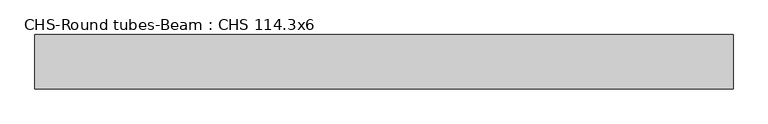
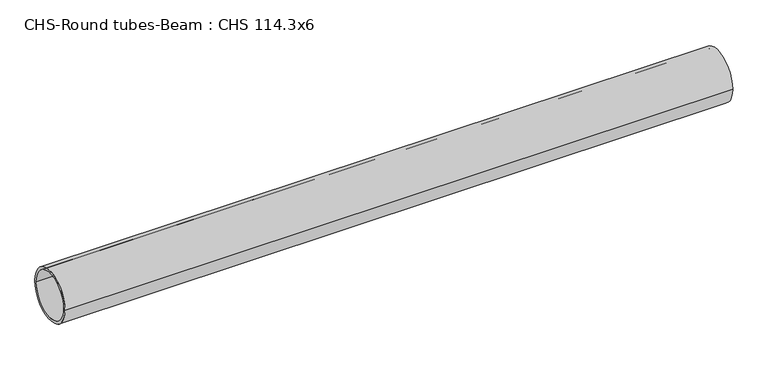
"""IFC4 building model written with IfcOpenShell, lengths in millimetres: beam geometry, CHS-Round tubes-Beam : CHS 114.3x6."""

import ifcopenshell
import ifcopenshell.guid

model = None  # the IFC model being written
_history = None  # IfcOwnerHistory: only IFC2X3 demands one
_inside = {}  # id of a spatial element -> (the spatial element, [elements in it])
_under = {}  # id of a project, library or spatial element -> (it, [spatial elements below it])
_declared = {}  # id of a project -> (the project, [libraries it declares])
_typed = {}  # id of a type object -> (the type object, [elements of that type])
_made_of = {}  # id of a material, layer set ... -> (it, [elements and type objects made of it])


def new_model(schema):
    """Start an empty IFC model of exactly this schema.

    Asked for "IFC4X3", IfcOpenShell would pick the latest addendum, in which some entities
    have other attributes; the version numbers below select the first issue.
    IFC2X3 requires an IfcOwnerHistory on every rooted entity: one is made here for all.
    """
    global model, _history
    if schema == "IFC4X3":
        model = ifcopenshell.file(schema_version=(4, 3, 0, 0))
    else:
        model = ifcopenshell.file(schema=schema)
    _inside.clear()
    _under.clear()
    _declared.clear()
    _typed.clear()
    _made_of.clear()
    _history = None
    if model.schema == "IFC2X3":
        org = make("IfcOrganization", Name="unknown")
        user = make(
            "IfcPersonAndOrganization",
            ThePerson=make("IfcPerson", FamilyName="unknown"),
            TheOrganization=org,
        )
        app = make(
            "IfcApplication",
            ApplicationDeveloper=org,
            Version="unknown",
            ApplicationFullName="unknown",
            ApplicationIdentifier="unknown",
        )
        _history = make(
            "IfcOwnerHistory",
            OwningUser=user,
            OwningApplication=app,
            ChangeAction="ADDED",
            CreationDate=0,
        )
    return model


def make(cls, **values):
    """One entity of the class cls with the attributes given. An attribute that is None is left unset."""
    return model.create_entity(
        cls, **{name: value for name, value in values.items() if value is not None}
    )


def rooted(cls, **values):
    """An entity with a GlobalId (a new one), such as an element, a storey or a relation."""
    return make(cls, GlobalId=ifcopenshell.guid.new(), OwnerHistory=_history, **values)


def si_unit(unit_type, name, prefix=None):
    """IfcSIUnit, for example si_unit("LENGTHUNIT", "METRE", prefix="MILLI")."""
    return make("IfcSIUnit", UnitType=unit_type, Prefix=prefix, Name=name)


def assignment(units):
    """IfcUnitAssignment: the units of a project."""
    return None if units is None else make("IfcUnitAssignment", Units=units)


def point(xyz):
    """IfcCartesianPoint."""
    return None if xyz is None else make("IfcCartesianPoint", Coordinates=xyz)


def direction(xyz):
    """IfcDirection."""
    return None if xyz is None else make("IfcDirection", DirectionRatios=xyz)


def frame(location, z_axis=None, x_axis=None):
    """IfcAxis2Placement3D, a coordinate frame: its origin and axes. An axis left out is left unset."""
    return make(
        "IfcAxis2Placement3D",
        Location=point(location),
        Axis=direction(z_axis),
        RefDirection=direction(x_axis),
    )


def frame_2d(location, x_axis=None):
    """IfcAxis2Placement2D, a coordinate frame in the plane: its origin and x axis."""
    return make(
        "IfcAxis2Placement2D", Location=point(location), RefDirection=direction(x_axis)
    )


def origin():
    """The frame at (0, 0, 0) with its axes left unset."""
    return frame((0.0, 0.0, 0.0))


def origin_2d():
    """The frame at (0, 0) in the plane with its x axis left unset."""
    return frame_2d((0.0, 0.0))


def place(relative_to, where):
    """IfcLocalPlacement: puts the frame where relative to a parent placement (None: the world)."""
    return make(
        "IfcLocalPlacement", PlacementRelTo=relative_to, RelativePlacement=where
    )


def context(
    kind, dimensions, precision=None, world=None, true_north=None, identifier=None
):
    """IfcGeometricRepresentationContext, for example the 3D "Model" context."""
    return make(
        "IfcGeometricRepresentationContext",
        ContextIdentifier=identifier,
        ContextType=kind,
        CoordinateSpaceDimension=dimensions,
        Precision=precision,
        WorldCoordinateSystem=world,
        TrueNorth=true_north,
    )


def project(units=None, contexts=None):
    """IfcProject with its units and contexts."""
    return rooted(
        "IfcProject",
        Name="project",
        RepresentationContexts=contexts,
        UnitsInContext=assignment(units),
    )


def spatial(cls, under=None, at=None, **own):
    """A site, building, storey or space (cls), placed at a placement, below another one or the project."""
    s = rooted(cls, ObjectPlacement=at, **own)
    if under is not None:
        _under.setdefault(under.id(), (under, []))[1].append(s)
    return s


def circle_curve(where, radius):
    """IfcCircle in the frame where."""
    return make("IfcCircle", Position=where, Radius=radius)


def trimmed(basis, trim1, trim2, sense, master):
    """IfcTrimmedCurve: the piece of a basis curve between two trims."""
    return make(
        "IfcTrimmedCurve",
        BasisCurve=basis,
        Trim1=trim1,
        Trim2=trim2,
        SenseAgreement=sense,
        MasterRepresentation=master,
    )


def segment(curve, same_sense, transition):
    """IfcCompositeCurveSegment."""
    return make(
        "IfcCompositeCurveSegment",
        Transition=transition,
        SameSense=same_sense,
        ParentCurve=curve,
    )


def composite_curve(segments, self_intersect=None):
    """IfcCompositeCurve: segments joined end to end."""
    return make("IfcCompositeCurve", Segments=segments, SelfIntersect=self_intersect)


def outline(outer, holes=None, kind="AREA"):
    """IfcArbitraryClosedProfileDef: a profile drawn as a closed curve; with holes, ...WithVoids."""
    if holes is None:
        return make("IfcArbitraryClosedProfileDef", ProfileType=kind, OuterCurve=outer)
    return make(
        "IfcArbitraryProfileDefWithVoids",
        ProfileType=kind,
        OuterCurve=outer,
        InnerCurves=holes,
    )


def extrude(swept, where, along, depth):
    """IfcExtrudedAreaSolid: the profile swept, set in the frame where, extruded along a direction by depth."""
    return make(
        "IfcExtrudedAreaSolid",
        SweptArea=swept,
        Position=where,
        ExtrudedDirection=direction(along),
        Depth=depth,
    )


def shape(context_of_items, identifier, shape_type, items):
    """IfcShapeRepresentation: the items that make up one representation, for example the "Body"."""
    return make(
        "IfcShapeRepresentation",
        ContextOfItems=context_of_items,
        RepresentationIdentifier=identifier,
        RepresentationType=shape_type,
        Items=items,
    )


def source(mapping_origin, context_of_items, identifier, shape_type, items):
    """IfcRepresentationMap: a shape defined once, which mapped items show again and again."""
    return make(
        "IfcRepresentationMap",
        MappingOrigin=mapping_origin,
        MappedRepresentation=shape(context_of_items, identifier, shape_type, items),
    )


def transform(
    local_origin,
    x_axis=None,
    y_axis=None,
    z_axis=None,
    scale=None,
    scale2=None,
    scale3=None,
    uniform=True,
):
    """IfcCartesianTransformationOperator3D, or its non-uniform kind. x_axis, y_axis, z_axis: its Axis1, 2, 3."""
    if uniform:
        return make(
            "IfcCartesianTransformationOperator3D",
            Axis1=direction(x_axis),
            Axis2=direction(y_axis),
            LocalOrigin=point(local_origin),
            Scale=scale,
            Axis3=direction(z_axis),
        )
    return make(
        "IfcCartesianTransformationOperator3DnonUniform",
        Axis1=direction(x_axis),
        Axis2=direction(y_axis),
        LocalOrigin=point(local_origin),
        Scale=scale,
        Axis3=direction(z_axis),
        Scale2=scale2,
        Scale3=scale3,
    )


def mapped(mapping_source, mapping_target):
    """IfcMappedItem: shows the shape of a source again, moved by a transform."""
    return make(
        "IfcMappedItem", MappingSource=mapping_source, MappingTarget=mapping_target
    )


def made_of(thing, what):
    """Note that an element or type object is made of a material, layer set ...; save() writes the relation."""
    if what is not None:
        _made_of.setdefault(what.id(), (what, []))[1].append(thing)
    return thing


def element(
    cls,
    number,
    at=None,
    inside=None,
    cuts=None,
    type_object=None,
    material=None,
    context=None,
    identifier="Body",
    shape_type=None,
    held_by="IfcProductDefinitionShape",
    body=None,
    shapes=None,
    **own,
):
    """One element of the class cls, such as IfcWall. Its Tag is "e" and its number.

    at: its placement. inside: the storey or other place that contains it. cuts: it is an
    opening in that element (IfcRelVoidsElement). A single representation is given by context,
    identifier, shape_type and body (its items); several are given by shapes. held_by: the class
    of the entity that holds the representations. save() writes the other relations.
    """
    e = rooted(cls, Tag="e%d" % number, ObjectPlacement=at, **own)
    if body is not None:
        shapes = [shape(context, identifier, shape_type, body)]
    if shapes is not None:
        e.Representation = make(held_by, Representations=shapes)
    if inside is not None:
        _inside.setdefault(inside.id(), (inside, []))[1].append(e)
    if cuts is not None:
        rooted(
            "IfcRelVoidsElement", RelatingBuildingElement=cuts, RelatedOpeningElement=e
        )
    if type_object is not None:
        _typed.setdefault(type_object.id(), (type_object, []))[1].append(e)
    return made_of(e, material)


def aggregate(whole, parts):
    """IfcRelAggregates: a whole, such as a stair, and the parts it consists of."""
    return rooted("IfcRelAggregates", RelatingObject=whole, RelatedObjects=parts)


def save(model, path):
    """Write the relations noted so far, then the file.

    IfcRelAggregates (storeys below a building ...), IfcRelContainedInSpatialStructure (elements
    in a storey), IfcRelDefinesByType, IfcRelAssociatesMaterial and IfcRelDeclares: one each for
    every whole, place, type object, material and project.
    """
    for whole, parts in _under.values():
        aggregate(whole, parts)
    for where, things in _inside.values():
        rooted(
            "IfcRelContainedInSpatialStructure",
            RelatedElements=things,
            RelatingStructure=where,
        )
    for kind, things in _typed.values():
        rooted("IfcRelDefinesByType", RelatedObjects=things, RelatingType=kind)
    for what, things in _made_of.values():
        rooted("IfcRelAssociatesMaterial", RelatedObjects=things, RelatingMaterial=what)
    for by, libraries in _declared.values():
        rooted("IfcRelDeclares", RelatingContext=by, RelatedDefinitions=libraries)
    model.write(path)


def chs_round_tubes_beam_chs_114_3x6_0a81bbe8(model_context):
    return source(origin(), model_context, "Body", "SweptSolid", [
        extrude(outline(composite_curve([segment(trimmed(circle_curve(origin_2d(), 57.15), [point((57.15, 0.0))], [point((-57.15, 0.0))], False, "CARTESIAN"), True, "CONTINUOUS"), segment(trimmed(circle_curve(origin_2d(), 57.15), [point((-57.15, 0.0))], [point((57.15, 0.0))], False, "CARTESIAN"), True, "CONTINUOUS")], self_intersect=False), holes=[composite_curve([segment(trimmed(circle_curve(origin_2d(), 51.15), [point((51.15, 0.0))], [point((-51.15, 0.0))], True, "CARTESIAN"), True, "CONTINUOUS"), segment(trimmed(circle_curve(origin_2d(), 51.15), [point((-51.15, 0.0))], [point((51.15, 0.0))], True, "CARTESIAN"), True, "CONTINUOUS")], self_intersect=False)]), frame((-701.5964694, 0.0, 0.0), z_axis=(1.0, 0.0, 0.0), x_axis=(0.0, 1.0, 0.0)), (0.0, 0.0, 1.0), 1465.2623474),
    ])


if __name__ == "__main__":
    model = new_model("IFC4")
    model_context = context("Model", 3, world=origin())
    ifc_project = project(units=[si_unit("LENGTHUNIT", "METRE", prefix="MILLI")], contexts=[model_context])
    site = spatial("IfcSite", under=ifc_project)
    building = spatial("IfcBuilding", under=site)
    placement = place(None, origin())
    chs_round_tubes_beam_chs_114_3x6_shape = chs_round_tubes_beam_chs_114_3x6_0a81bbe8(model_context)
    element("IfcBeam", 1, ObjectType="CHS-Round tubes-Beam : CHS 114.3x6", at=placement, inside=building, context=model_context, shape_type="MappedRepresentation", body=[
        mapped(chs_round_tubes_beam_chs_114_3x6_shape, transform((0.0, 0.0, 0.0), x_axis=(1.0, 0.0, 0.0), y_axis=(0.0, 1.0, 0.0), z_axis=(0.0, 0.0, 1.0))),
    ])
    save(model, "model.ifc")
